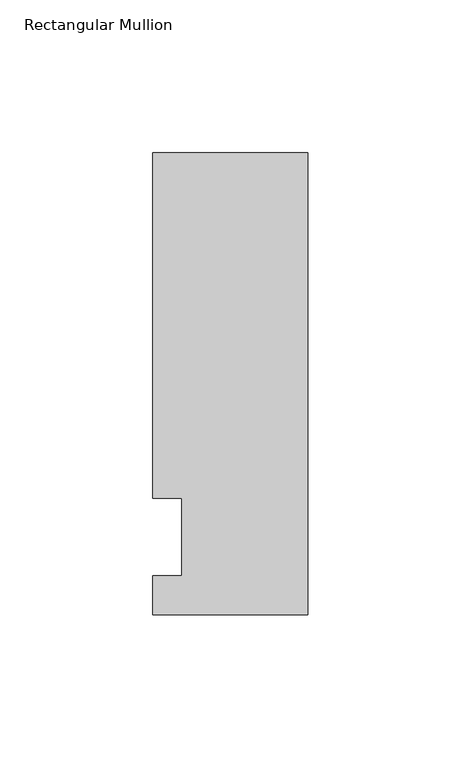
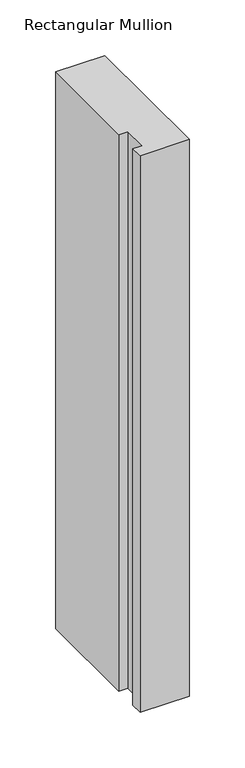
"""IFC4 building model written with IfcOpenShell, lengths in millimetres: member geometry, Rectangular Mullion."""

from ifc_helpers import new_model, si_unit, frame, origin, place, context, project, spatial, polyline, outline, extrude, source, transform, mapped, element, save


def rectangular_mullion_ec61e618(model_context):
    return source(origin(), model_context, "Body", "SweptSolid", [
        extrude(outline(polyline([(-50.8, -25.4508252), (-50.8, -12.7), (-41.275, -12.7), (-41.275, 12.7), (-50.8, 12.7), (-50.8, 125.8533), (0.0, 125.8533), (0.0, -25.4508252), (-50.8, -25.4508252)])), frame((0.0, 0.0, -609.6), z_axis=(0.0, 0.0, 1.0), x_axis=(1.0, 0.0, 0.0)), (0.0, 0.0, 1.0), 609.6),
    ])


if __name__ == "__main__":
    model = new_model("IFC4")
    model_context = context("Model", 3, world=origin())
    ifc_project = project(units=[si_unit("LENGTHUNIT", "METRE", prefix="MILLI")], contexts=[model_context])
    site = spatial("IfcSite", under=ifc_project)
    building = spatial("IfcBuilding", under=site)
    placement = place(None, origin())
    rectangular_mullion_shape = rectangular_mullion_ec61e618(model_context)
    element("IfcMember", 1, ObjectType="Rectangular Mullion", at=placement, inside=building, context=model_context, shape_type="MappedRepresentation", body=[
        mapped(rectangular_mullion_shape, transform((0.0, 0.0, 0.0), x_axis=(1.0, 0.0, 0.0), y_axis=(0.0, 1.0, 0.0), z_axis=(0.0, 0.0, 1.0))),
    ])
    save(model, "model.ifc")
